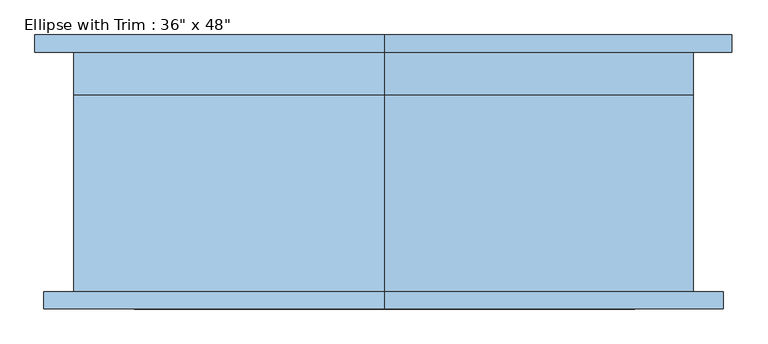
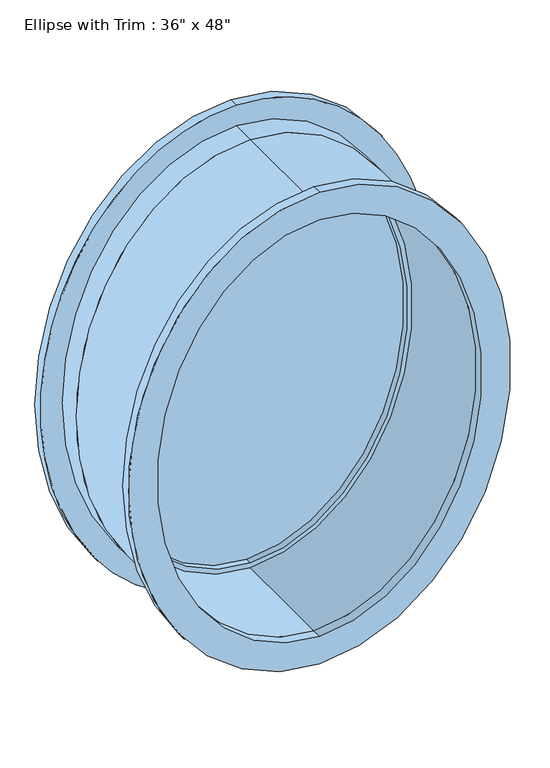
"""IFC4 building model written with IfcOpenShell, lengths in millimetres: window geometry."""

from ifc_helpers import new_model, si_unit, point, frame, origin, place, context, project, spatial, ellipse_curve, trimmed, source, transform, mapped, element, save
from ifc_brep_helpers import plane_surface, extruded_surface, advanced_brep


def window_2a7f7e33(model_context):
    return source(origin(), model_context, "Body", "AdvancedBrep", [
        advanced_brep(
        [(0.0, -176.2125, 2133.6), (0.0, -176.2125, 914.4), (0.0, -176.2125, 2101.85), (0.0, -176.2125, 946.15), (0.0, 112.7125, 2133.6), (0.0, 112.7125, 914.4), (0.0, 112.7125, 2101.85), (0.0, 112.7125, 946.15)],
        [
            (0, 1, ellipse_curve(frame((0.0, -176.2125, 1524.0), z_axis=(0.0, -1.0, 0.0), x_axis=(0.0, 0.0, -1.0)), 609.6, 457.2)),
            (1, 0, ellipse_curve(frame((0.0, -176.2125, 1524.0), z_axis=(0.0, -1.0, 0.0), x_axis=(0.0, 0.0, -1.0)), 609.6, 457.2)),
            (2, 3, ellipse_curve(frame((0.0, -176.2125, 1524.0), z_axis=(0.0, 1.0, 0.0), x_axis=(0.0, 0.0, -1.0)), 577.85, 425.45)),
            (3, 2, ellipse_curve(frame((0.0, -176.2125, 1524.0), z_axis=(0.0, 1.0, 0.0), x_axis=(0.0, 0.0, -1.0)), 577.85, 425.45)),
            (4, 5, ellipse_curve(frame((0.0, 112.7125, 1524.0), z_axis=(0.0, 1.0, 0.0), x_axis=(0.0, 0.0, -1.0)), 609.6, 457.2)),
            (5, 4, ellipse_curve(frame((0.0, 112.7125, 1524.0), z_axis=(0.0, 1.0, 0.0), x_axis=(0.0, 0.0, -1.0)), 609.6, 457.2)),
            (6, 7, ellipse_curve(frame((0.0, 112.7125, 1524.0), z_axis=(0.0, -1.0, 0.0), x_axis=(0.0, 0.0, -1.0)), 577.85, 425.45)),
            (7, 6, ellipse_curve(frame((0.0, 112.7125, 1524.0), z_axis=(0.0, -1.0, 0.0), x_axis=(0.0, 0.0, -1.0)), 577.85, 425.45)),
            (0, 4),
            (5, 1),
            (2, 6),
            (7, 3),
        ],
        [
            plane_surface(frame((0.0, -176.2125, 914.4), z_axis=(0.0, -1.0, 0.0), x_axis=(1.0, 0.0, 0.0))),
            plane_surface(frame((0.0, 112.7125, 914.4), z_axis=(0.0, 1.0, 0.0), x_axis=(-1.0, 0.0, 0.0))),
            extruded_surface(trimmed(ellipse_curve(frame((0.0, 401.6375, 1524.0), z_axis=(0.0, -1.0, 0.0), x_axis=(0.0, 0.0, -1.0)), 609.6, 457.2), [point((0.0, 401.6375, 2133.6))], [point((0.0, 401.6375, 914.4))], True, "CARTESIAN"), (0.0, -288.92499999999995, 0.0), 288.92499999999995),
            extruded_surface(trimmed(ellipse_curve(frame((0.0, 401.6375, 1524.0), z_axis=(0.0, -1.0, 0.0), x_axis=(0.0, 0.0, -1.0)), 609.6, 457.2), [point((0.0, 401.6375, 914.4))], [point((0.0, 401.6375, 2133.6))], True, "CARTESIAN"), (0.0, -288.92499999999995, 0.0), 288.92499999999995),
            extruded_surface(trimmed(ellipse_curve(frame((0.0, 112.7125, 1524.0), z_axis=(0.0, 1.0, 0.0), x_axis=(0.0, 0.0, -1.0)), 577.85, 425.45), [point((0.0, 112.7125, 2101.85))], [point((0.0, 112.7125, 946.15))], True, "CARTESIAN"), (0.0, -288.925, 0.0), 288.925),
            extruded_surface(trimmed(ellipse_curve(frame((0.0, 112.7125, 1524.0), z_axis=(0.0, 1.0, 0.0), x_axis=(0.0, 0.0, -1.0)), 577.85, 425.45), [point((0.0, 112.7125, 946.15))], [point((0.0, 112.7125, 2101.85))], True, "CARTESIAN"), (0.0, -288.925, 0.0), 288.925),
        ],
        [
            (0, [[1, 2], [3, 4]]),
            (1, [[5, 6], [7, 8]]),
            (2, [[-1, 9, -6, 10]]),
            (3, [[-2, -10, -5, -9]]),
            (4, [[-3, 11, -8, 12]]),
            (5, [[-4, -12, -7, -11]]),
        ],
    ),
        advanced_brep(
        [(0.0, 129.9584129, 2089.15), (0.0, 129.9584129, 958.85), (0.0, 139.4831843, 2089.15), (0.0, 139.4831843, 958.85)],
        [
            (0, 1, ellipse_curve(frame((0.0, 129.9584129, 1524.0), z_axis=(0.0, -1.0, 0.0), x_axis=(0.0, 0.0, -1.0)), 565.15, 412.75)),
            (1, 0, ellipse_curve(frame((0.0, 129.9584129, 1524.0), z_axis=(0.0, -1.0, 0.0), x_axis=(0.0, 0.0, -1.0)), 565.15, 412.75)),
            (2, 3, ellipse_curve(frame((0.0, 139.4831843, 1524.0), z_axis=(0.0, 1.0, 0.0), x_axis=(0.0, 0.0, -1.0)), 565.15, 412.75)),
            (3, 2, ellipse_curve(frame((0.0, 139.4831843, 1524.0), z_axis=(0.0, 1.0, 0.0), x_axis=(0.0, 0.0, -1.0)), 565.15, 412.75)),
            (0, 2),
            (3, 1),
        ],
        [
            plane_surface(frame((0.0, 129.9584129, 958.85), z_axis=(0.0, -1.0, 0.0), x_axis=(1.0, 0.0, 0.0))),
            plane_surface(frame((0.0, 139.4831843, 958.85), z_axis=(0.0, 1.0, 0.0), x_axis=(-1.0, 0.0, 0.0))),
            extruded_surface(trimmed(ellipse_curve(frame((0.0, 149.0079558, 1524.0), z_axis=(0.0, -1.0, 0.0), x_axis=(0.0, 0.0, -1.0)), 565.15, 412.75), [point((0.0, 149.0079558, 2089.15))], [point((0.0, 149.0079558, 958.85))], True, "CARTESIAN"), (0.0, -9.524771499999986, 0.0), 9.524771499999986),
            extruded_surface(trimmed(ellipse_curve(frame((0.0, 149.0079558, 1524.0), z_axis=(0.0, -1.0, 0.0), x_axis=(0.0, 0.0, -1.0)), 565.15, 412.75), [point((0.0, 149.0079558, 958.85))], [point((0.0, 149.0079558, 2089.15))], True, "CARTESIAN"), (0.0, -9.524771499999986, 0.0), 9.524771499999986),
        ],
        [
            (0, [[1, 2]]),
            (1, [[3, 4]]),
            (2, [[-1, 5, -4, 6]]),
            (3, [[-2, -6, -3, -5]]),
        ],
    ),
        advanced_brep(
        [(0.0, 112.7125, 2114.55), (0.0, 112.7125, 933.45), (0.0, 112.7125, 2089.15), (0.0, 112.7125, 958.85), (0.0, 157.1625, 2114.55), (0.0, 157.1625, 933.45), (0.0, 157.1625, 2089.15), (0.0, 157.1625, 958.85)],
        [
            (0, 1, ellipse_curve(frame((0.0, 112.7125, 1524.0), z_axis=(0.0, -1.0, 0.0), x_axis=(0.0, 0.0, -1.0)), 590.55, 438.15)),
            (1, 0, ellipse_curve(frame((0.0, 112.7125, 1524.0), z_axis=(0.0, -1.0, 0.0), x_axis=(0.0, 0.0, -1.0)), 590.55, 438.15)),
            (2, 3, ellipse_curve(frame((0.0, 112.7125, 1524.0), z_axis=(0.0, 1.0, 0.0), x_axis=(0.0, 0.0, -1.0)), 565.15, 412.75)),
            (3, 2, ellipse_curve(frame((0.0, 112.7125, 1524.0), z_axis=(0.0, 1.0, 0.0), x_axis=(0.0, 0.0, -1.0)), 565.15, 412.75)),
            (4, 5, ellipse_curve(frame((0.0, 157.1625, 1524.0), z_axis=(0.0, 1.0, 0.0), x_axis=(0.0, 0.0, -1.0)), 590.55, 438.15)),
            (5, 4, ellipse_curve(frame((0.0, 157.1625, 1524.0), z_axis=(0.0, 1.0, 0.0), x_axis=(0.0, 0.0, -1.0)), 590.55, 438.15)),
            (6, 7, ellipse_curve(frame((0.0, 157.1625, 1524.0), z_axis=(0.0, -1.0, 0.0), x_axis=(0.0, 0.0, -1.0)), 565.15, 412.75)),
            (7, 6, ellipse_curve(frame((0.0, 157.1625, 1524.0), z_axis=(0.0, -1.0, 0.0), x_axis=(0.0, 0.0, -1.0)), 565.15, 412.75)),
            (0, 4),
            (5, 1),
            (2, 6),
            (7, 3),
        ],
        [
            plane_surface(frame((0.0, 112.7125, 933.45), z_axis=(0.0, -1.0, 0.0), x_axis=(1.0, 0.0, 0.0))),
            plane_surface(frame((0.0, 157.1625, 933.45), z_axis=(0.0, 1.0, 0.0), x_axis=(-1.0, 0.0, 0.0))),
            extruded_surface(trimmed(ellipse_curve(frame((0.0, 201.6125, 1524.0), z_axis=(0.0, -1.0, 0.0), x_axis=(0.0, 0.0, -1.0)), 590.55, 438.15), [point((0.0, 201.6125, 2114.55))], [point((0.0, 201.6125, 933.45))], True, "CARTESIAN"), (0.0, -44.45000000000002, 0.0), 44.45000000000002),
            extruded_surface(trimmed(ellipse_curve(frame((0.0, 201.6125, 1524.0), z_axis=(0.0, -1.0, 0.0), x_axis=(0.0, 0.0, -1.0)), 590.55, 438.15), [point((0.0, 201.6125, 933.45))], [point((0.0, 201.6125, 2114.55))], True, "CARTESIAN"), (0.0, -44.45000000000002, 0.0), 44.45000000000002),
            extruded_surface(trimmed(ellipse_curve(frame((0.0, 220.6625, 1524.0), z_axis=(0.0, 1.0, 0.0), x_axis=(0.0, 0.0, -1.0)), 565.15, 412.75), [point((0.0, 220.6625, 2089.15))], [point((0.0, 220.6625, 958.85))], True, "CARTESIAN"), (0.0, -44.44999999999999, 0.0), 44.44999999999999),
            extruded_surface(trimmed(ellipse_curve(frame((0.0, 220.6625, 1524.0), z_axis=(0.0, 1.0, 0.0), x_axis=(0.0, 0.0, -1.0)), 565.15, 412.75), [point((0.0, 220.6625, 958.85))], [point((0.0, 220.6625, 2089.15))], True, "CARTESIAN"), (0.0, -44.44999999999999, 0.0), 44.44999999999999),
        ],
        [
            (0, [[1, 2], [3, 4]]),
            (1, [[5, 6], [7, 8]]),
            (2, [[-1, 9, -6, 10]]),
            (3, [[-2, -10, -5, -9]]),
            (4, [[-3, 11, -8, 12]]),
            (5, [[-4, -12, -7, -11]]),
        ],
    ),
        advanced_brep(
        [(0.0, 112.7125, 2133.6), (0.0, 112.7125, 914.4), (0.0, 112.7125, 2114.55), (0.0, 112.7125, 933.45), (0.0, 176.2125, 2133.6), (0.0, 176.2125, 914.4), (0.0, 176.2125, 2114.55), (0.0, 176.2125, 933.45)],
        [
            (0, 1, ellipse_curve(frame((0.0, 112.7125, 1524.0), z_axis=(0.0, -1.0, 0.0), x_axis=(0.0, 0.0, -1.0)), 609.6, 457.2)),
            (1, 0, ellipse_curve(frame((0.0, 112.7125, 1524.0), z_axis=(0.0, -1.0, 0.0), x_axis=(0.0, 0.0, -1.0)), 609.6, 457.2)),
            (2, 3, ellipse_curve(frame((0.0, 112.7125, 1524.0), z_axis=(0.0, 1.0, 0.0), x_axis=(0.0, 0.0, -1.0)), 590.55, 438.15)),
            (3, 2, ellipse_curve(frame((0.0, 112.7125, 1524.0), z_axis=(0.0, 1.0, 0.0), x_axis=(0.0, 0.0, -1.0)), 590.55, 438.15)),
            (4, 5, ellipse_curve(frame((0.0, 176.2125, 1524.0), z_axis=(0.0, 1.0, 0.0), x_axis=(0.0, 0.0, -1.0)), 609.6, 457.2)),
            (5, 4, ellipse_curve(frame((0.0, 176.2125, 1524.0), z_axis=(0.0, 1.0, 0.0), x_axis=(0.0, 0.0, -1.0)), 609.6, 457.2)),
            (6, 7, ellipse_curve(frame((0.0, 176.2125, 1524.0), z_axis=(0.0, -1.0, 0.0), x_axis=(0.0, 0.0, -1.0)), 590.55, 438.15)),
            (7, 6, ellipse_curve(frame((0.0, 176.2125, 1524.0), z_axis=(0.0, -1.0, 0.0), x_axis=(0.0, 0.0, -1.0)), 590.55, 438.15)),
            (0, 4),
            (5, 1),
            (2, 6),
            (7, 3),
        ],
        [
            plane_surface(frame((0.0, 112.7125, 914.4), z_axis=(0.0, -1.0, 0.0), x_axis=(1.0, 0.0, 0.0))),
            plane_surface(frame((0.0, 176.2125, 914.4), z_axis=(0.0, 1.0, 0.0), x_axis=(-1.0, 0.0, 0.0))),
            extruded_surface(trimmed(ellipse_curve(frame((0.0, 239.7125, 1524.0), z_axis=(0.0, -1.0, 0.0), x_axis=(0.0, 0.0, -1.0)), 609.6, 457.2), [point((0.0, 239.7125, 2133.6))], [point((0.0, 239.7125, 914.4))], True, "CARTESIAN"), (0.0, -63.5, 0.0), 63.5),
            extruded_surface(trimmed(ellipse_curve(frame((0.0, 239.7125, 1524.0), z_axis=(0.0, -1.0, 0.0), x_axis=(0.0, 0.0, -1.0)), 609.6, 457.2), [point((0.0, 239.7125, 914.4))], [point((0.0, 239.7125, 2133.6))], True, "CARTESIAN"), (0.0, -63.5, 0.0), 63.5),
            extruded_surface(trimmed(ellipse_curve(frame((0.0, 239.7125, 1524.0), z_axis=(0.0, 1.0, 0.0), x_axis=(0.0, 0.0, -1.0)), 590.55, 438.15), [point((0.0, 239.7125, 2114.55))], [point((0.0, 239.7125, 933.45))], True, "CARTESIAN"), (0.0, -63.5, 0.0), 63.5),
            extruded_surface(trimmed(ellipse_curve(frame((0.0, 239.7125, 1524.0), z_axis=(0.0, 1.0, 0.0), x_axis=(0.0, 0.0, -1.0)), 590.55, 438.15), [point((0.0, 239.7125, 933.45))], [point((0.0, 239.7125, 2114.55))], True, "CARTESIAN"), (0.0, -63.5, 0.0), 63.5),
        ],
        [
            (0, [[1, 2], [3, 4]]),
            (1, [[5, 6], [7, 8]]),
            (2, [[-1, 9, -6, 10]]),
            (3, [[-2, -10, -5, -9]]),
            (4, [[-3, 11, -8, 12]]),
            (5, [[-4, -12, -7, -11]]),
        ],
    ),
        advanced_brep(
        [(0.0, -201.6125, 2178.05), (0.0, -201.6125, 869.95), (0.0, -201.6125, 2101.85), (0.0, -201.6125, 946.15), (0.0, -176.2125, 2178.05), (0.0, -176.2125, 869.95), (0.0, -176.2125, 2101.85), (0.0, -176.2125, 946.15)],
        [
            (0, 1, ellipse_curve(frame((0.0, -201.6125, 1524.0), z_axis=(0.0, -1.0, 0.0), x_axis=(0.0, 0.0, -1.0)), 654.05, 501.65)),
            (1, 0, ellipse_curve(frame((0.0, -201.6125, 1524.0), z_axis=(0.0, -1.0, 0.0), x_axis=(0.0, 0.0, -1.0)), 654.05, 501.65)),
            (2, 3, ellipse_curve(frame((0.0, -201.6125, 1524.0), z_axis=(0.0, 1.0, 0.0), x_axis=(0.0, 0.0, -1.0)), 577.85, 425.45)),
            (3, 2, ellipse_curve(frame((0.0, -201.6125, 1524.0), z_axis=(0.0, 1.0, 0.0), x_axis=(0.0, 0.0, -1.0)), 577.85, 425.45)),
            (4, 5, ellipse_curve(frame((0.0, -176.2125, 1524.0), z_axis=(0.0, 1.0, 0.0), x_axis=(0.0, 0.0, -1.0)), 654.05, 501.65)),
            (5, 4, ellipse_curve(frame((0.0, -176.2125, 1524.0), z_axis=(0.0, 1.0, 0.0), x_axis=(0.0, 0.0, -1.0)), 654.05, 501.65)),
            (6, 7, ellipse_curve(frame((0.0, -176.2125, 1524.0), z_axis=(0.0, -1.0, 0.0), x_axis=(0.0, 0.0, -1.0)), 577.85, 425.45)),
            (7, 6, ellipse_curve(frame((0.0, -176.2125, 1524.0), z_axis=(0.0, -1.0, 0.0), x_axis=(0.0, 0.0, -1.0)), 577.85, 425.45)),
            (2, 6),
            (7, 3),
            (0, 4),
            (5, 1),
        ],
        [
            plane_surface(frame((0.0, -201.6125, 946.15), z_axis=(0.0, -1.0, 0.0), x_axis=(-1.0, 0.0, 0.0))),
            plane_surface(frame((0.0, -176.2125, 946.15), z_axis=(0.0, 1.0, 0.0), x_axis=(1.0, 0.0, 0.0))),
            extruded_surface(trimmed(ellipse_curve(frame((0.0, -150.8125, 1524.0), z_axis=(0.0, 1.0, 0.0), x_axis=(0.0, 0.0, -1.0)), 577.85, 425.45), [point((0.0, -150.8125, 2101.85))], [point((0.0, -150.8125, 946.15))], True, "CARTESIAN"), (0.0, -25.400000000000006, 0.0), 25.400000000000006),
            extruded_surface(trimmed(ellipse_curve(frame((0.0, -150.8125, 1524.0), z_axis=(0.0, 1.0, 0.0), x_axis=(0.0, 0.0, -1.0)), 577.85, 425.45), [point((0.0, -150.8125, 946.15))], [point((0.0, -150.8125, 2101.85))], True, "CARTESIAN"), (0.0, -25.400000000000006, 0.0), 25.400000000000006),
            extruded_surface(trimmed(ellipse_curve(frame((0.0, -150.8125, 1524.0), z_axis=(0.0, -1.0, 0.0), x_axis=(0.0, 0.0, -1.0)), 654.05, 501.65), [point((0.0, -150.8125, 2178.05))], [point((0.0, -150.8125, 869.95))], True, "CARTESIAN"), (0.0, -25.400000000000006, 0.0), 25.400000000000006),
            extruded_surface(trimmed(ellipse_curve(frame((0.0, -150.8125, 1524.0), z_axis=(0.0, -1.0, 0.0), x_axis=(0.0, 0.0, -1.0)), 654.05, 501.65), [point((0.0, -150.8125, 869.95))], [point((0.0, -150.8125, 2178.05))], True, "CARTESIAN"), (0.0, -25.400000000000006, 0.0), 25.400000000000006),
        ],
        [
            (0, [[1, 2], [3, 4]]),
            (1, [[5, 6], [7, 8]]),
            (2, [[-3, 9, -8, 10]]),
            (3, [[-4, -10, -7, -9]]),
            (4, [[-1, 11, -6, 12]]),
            (5, [[-2, -12, -5, -11]]),
        ],
    ),
        advanced_brep(
        [(0.0, 176.2125, 2190.75), (0.0, 176.2125, 857.25), (0.0, 176.2125, 2114.55), (0.0, 176.2125, 933.45), (0.0, 201.6125, 2190.75), (0.0, 201.6125, 857.25), (0.0, 201.6125, 2114.55), (0.0, 201.6125, 933.45)],
        [
            (0, 1, ellipse_curve(frame((0.0, 176.2125, 1524.0), z_axis=(0.0, -1.0, 0.0), x_axis=(0.0, 0.0, -1.0)), 666.75, 514.35)),
            (1, 0, ellipse_curve(frame((0.0, 176.2125, 1524.0), z_axis=(0.0, -1.0, 0.0), x_axis=(0.0, 0.0, -1.0)), 666.75, 514.35)),
            (2, 3, ellipse_curve(frame((0.0, 176.2125, 1524.0), z_axis=(0.0, 1.0, 0.0), x_axis=(0.0, 0.0, -1.0)), 590.55, 438.15)),
            (3, 2, ellipse_curve(frame((0.0, 176.2125, 1524.0), z_axis=(0.0, 1.0, 0.0), x_axis=(0.0, 0.0, -1.0)), 590.55, 438.15)),
            (4, 5, ellipse_curve(frame((0.0, 201.6125, 1524.0), z_axis=(0.0, 1.0, 0.0), x_axis=(0.0, 0.0, -1.0)), 666.75, 514.35)),
            (5, 4, ellipse_curve(frame((0.0, 201.6125, 1524.0), z_axis=(0.0, 1.0, 0.0), x_axis=(0.0, 0.0, -1.0)), 666.75, 514.35)),
            (6, 7, ellipse_curve(frame((0.0, 201.6125, 1524.0), z_axis=(0.0, -1.0, 0.0), x_axis=(0.0, 0.0, -1.0)), 590.55, 438.15)),
            (7, 6, ellipse_curve(frame((0.0, 201.6125, 1524.0), z_axis=(0.0, -1.0, 0.0), x_axis=(0.0, 0.0, -1.0)), 590.55, 438.15)),
            (2, 6),
            (7, 3),
            (0, 4),
            (5, 1),
        ],
        [
            plane_surface(frame((0.0, 176.2125, 933.45), z_axis=(0.0, -1.0, 0.0), x_axis=(-1.0, 0.0, 0.0))),
            plane_surface(frame((0.0, 201.6125, 933.45), z_axis=(0.0, 1.0, 0.0), x_axis=(1.0, 0.0, 0.0))),
            extruded_surface(trimmed(ellipse_curve(frame((0.0, 227.0125, 1524.0), z_axis=(0.0, 1.0, 0.0), x_axis=(0.0, 0.0, -1.0)), 590.55, 438.15), [point((0.0, 227.0125, 2114.55))], [point((0.0, 227.0125, 933.45))], True, "CARTESIAN"), (0.0, -25.399999999999977, 0.0), 25.399999999999977),
            extruded_surface(trimmed(ellipse_curve(frame((0.0, 227.0125, 1524.0), z_axis=(0.0, 1.0, 0.0), x_axis=(0.0, 0.0, -1.0)), 590.55, 438.15), [point((0.0, 227.0125, 933.45))], [point((0.0, 227.0125, 2114.55))], True, "CARTESIAN"), (0.0, -25.399999999999977, 0.0), 25.399999999999977),
            extruded_surface(trimmed(ellipse_curve(frame((0.0, 201.6125, 1524.0), z_axis=(0.0, -1.0, 0.0), x_axis=(0.0, 0.0, -1.0)), 666.75, 514.35), [point((0.0, 201.6125, 2190.75))], [point((0.0, 201.6125, 857.25))], True, "CARTESIAN"), (0.0, -25.400000000000006, 0.0), 25.400000000000006),
            extruded_surface(trimmed(ellipse_curve(frame((0.0, 201.6125, 1524.0), z_axis=(0.0, -1.0, 0.0), x_axis=(0.0, 0.0, -1.0)), 666.75, 514.35), [point((0.0, 201.6125, 857.25))], [point((0.0, 201.6125, 2190.75))], True, "CARTESIAN"), (0.0, -25.400000000000006, 0.0), 25.400000000000006),
        ],
        [
            (0, [[1, 2], [3, 4]]),
            (1, [[5, 6], [7, 8]]),
            (2, [[-3, 9, -8, 10]]),
            (3, [[-4, -10, -7, -9]]),
            (4, [[-1, 11, -6, 12]]),
            (5, [[-2, -12, -5, -11]]),
        ],
    ),
    ])


if __name__ == "__main__":
    model = new_model("IFC4")
    model_context = context("Model", 3, world=origin())
    ifc_project = project(units=[si_unit("LENGTHUNIT", "METRE", prefix="MILLI")], contexts=[model_context])
    site = spatial("IfcSite", under=ifc_project)
    building = spatial("IfcBuilding", under=site)
    placement = place(None, origin())
    window_shape = window_2a7f7e33(model_context)
    element("IfcWindow", 1, ObjectType="Ellipse with Trim : 36\" x 48\"", at=placement, inside=building, context=model_context, shape_type="MappedRepresentation", body=[
        mapped(window_shape, transform((0.0, 0.0, 0.0), x_axis=(1.0, 0.0, 0.0), y_axis=(0.0, 1.0, 0.0), z_axis=(0.0, 0.0, 1.0))),
    ])
    save(model, "model.ifc")
